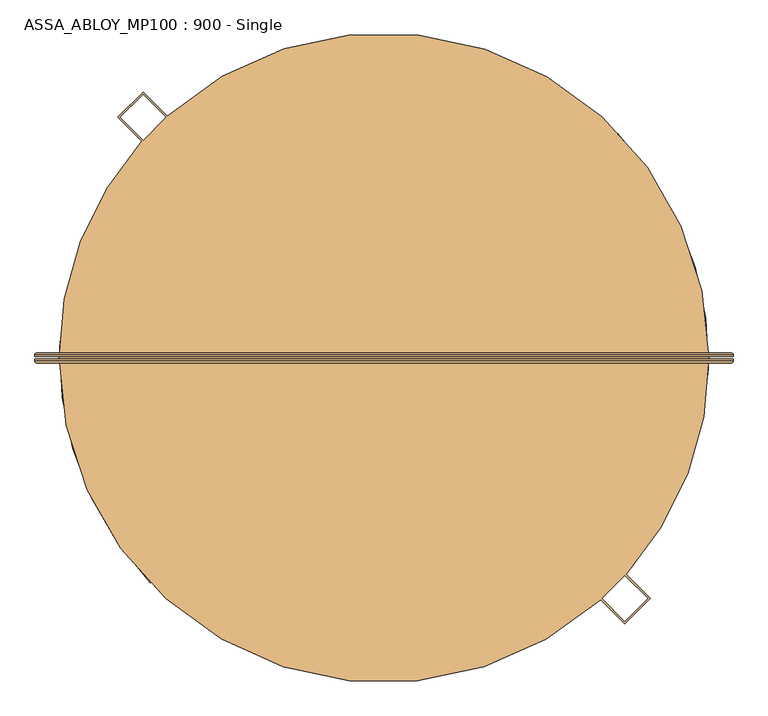
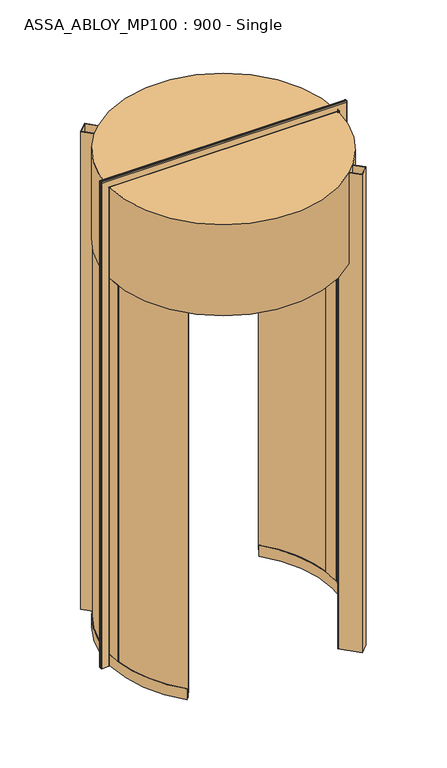
"""IFC4 building model written with IfcOpenShell, lengths in millimetres: door geometry, ASSA_ABLOY_MP100 : 900 - Single."""

from ifc_helpers import new_model, si_unit, point, frame, frame_2d, origin, place, context, project, spatial, polyline, circle_curve, ellipse_curve, trimmed, segment, composite_curve, outline, extrude, source, transform, mapped, element, save
from ifc_brep_helpers import plane_surface, cylinder_surface, revolved_surface, advanced_brep


def assa_abloy_mp100_900_single_c8860bc8(model_context):
    return source(origin(), model_context, "Body", "SolidModel", [
        advanced_brep(
        [(902.5980762, 11.0, 0.0), (906.5980762, 7.0, 0.0), (906.5980762, 3.0, 0.0), (904.5980762, 3.0, 0.0), (904.5980762, 7.0, 0.0), (902.5980762, 9.0, 0.0), (860.5980762, 9.0, 0.0), (858.5980762, 7.0, 0.0), (858.5980762, 3.0, 0.0), (856.5980762, 3.0, 0.0), (856.5980762, 7.0, 0.0), (860.5980762, 11.0, 0.0), (902.5980762, 11.0, 3260.9980762), (906.5980762, 7.0, 3264.9980762), (906.5980762, 3.0, 3264.9980762), (856.5980762, 7.0, 3214.9980762), (860.5980762, 11.0, 3218.9980762), (-610.5980762, 11.0, 3218.9980762), (-610.5980762, 11.0, 0.0), (-652.5980762, 11.0, 0.0), (-652.5980762, 11.0, 3260.9980762), (-656.5980762, 7.0, 3264.9980762), (-656.5980762, 3.0, 3264.9980762), (-606.5980762, 7.0, 3214.9980762), (-606.5980762, 7.0, 0.0), (-606.5980762, 3.0, 0.0), (-608.5980762, 3.0, 0.0), (-608.5980762, 7.0, 0.0), (-610.5980762, 9.0, 0.0), (-652.5980762, 9.0, 0.0), (-654.5980762, 7.0, 0.0), (-654.5980762, 3.0, 0.0), (-656.5980762, 3.0, 0.0), (-656.5980762, 7.0, 0.0), (-654.5980762, 3.0, 3262.9980762), (904.5980762, 3.0, 3262.9980762), (904.5980762, 7.0, 3262.9980762), (902.5980762, 9.0, 3260.9980762), (-652.5980762, 9.0, 3260.9980762), (-610.5980762, 9.0, 3218.9980762), (860.5980762, 9.0, 3218.9980762), (858.5980762, 7.0, 3216.9980762), (858.5980762, 3.0, 3216.9980762), (-608.5980762, 3.0, 3216.9980762), (-606.5980762, 3.0, 3214.9980762), (856.5980762, 3.0, 3214.9980762), (-654.5980762, 7.0, 3262.9980762), (-608.5980762, 7.0, 3216.9980762)],
        [
            (0, 1, circle_curve(frame((902.5980762, 7.0, 0.0), z_axis=(0.0, 0.0, -1.0), x_axis=(-1.0, 0.0, 0.0)), 4.0)),
            (1, 2),
            (2, 3),
            (3, 4),
            (4, 5, circle_curve(frame((902.5980762, 7.0, 0.0), z_axis=(0.0, 0.0, 1.0), x_axis=(-1.0, 0.0, 0.0)), 2.0)),
            (5, 6),
            (6, 7, circle_curve(frame((860.5980762, 7.0, 0.0), z_axis=(0.0, 0.0, 1.0), x_axis=(-1.0, 0.0, 0.0)), 2.0)),
            (7, 8),
            (8, 9),
            (9, 10),
            (10, 11, circle_curve(frame((860.5980762, 7.0, 0.0), z_axis=(0.0, 0.0, -1.0), x_axis=(-1.0, 0.0, 0.0)), 4.0)),
            (11, 0),
            (0, 12),
            (12, 13, ellipse_curve(frame((902.5980762, 7.0, 3260.9980762), z_axis=(0.7071067811865475, 0.0, -0.7071067811865475), x_axis=(-0.7071067811865474, 0.0, -0.7071067811865476)), 5.6568542, 4.0)),
            (13, 1),
            (13, 14),
            (14, 2),
            (10, 15),
            (15, 16, ellipse_curve(frame((860.5980762, 7.0, 3218.9980762), z_axis=(0.7071067811865475, 0.0, -0.7071067811865475), x_axis=(-0.7071067811865474, 0.0, -0.7071067811865476)), 5.6568542, 4.0)),
            (16, 11),
            (16, 17),
            (17, 18),
            (18, 19),
            (19, 20),
            (20, 12),
            (20, 21, ellipse_curve(frame((-652.5980762, 7.0, 3260.9980762), z_axis=(0.7071067811865475, 0.0, 0.7071067811865475), x_axis=(0.7071067811865476, 0.0, -0.7071067811865474)), 5.6568542, 4.0)),
            (21, 13),
            (21, 22),
            (22, 14),
            (15, 23),
            (23, 17, ellipse_curve(frame((-610.5980762, 7.0, 3218.9980762), z_axis=(0.7071067811865475, 0.0, 0.7071067811865475), x_axis=(0.7071067811865476, 0.0, -0.7071067811865474)), 5.6568542, 4.0)),
            (18, 24, circle_curve(frame((-610.5980762, 7.0, 0.0), z_axis=(0.0, 0.0, -1.0), x_axis=(1.0, 0.0, 0.0)), 4.0)),
            (24, 25),
            (25, 26),
            (26, 27),
            (27, 28, circle_curve(frame((-610.5980762, 7.0, 0.0), z_axis=(0.0, 0.0, 1.0), x_axis=(1.0, 0.0, 0.0)), 2.0)),
            (28, 29),
            (29, 30, circle_curve(frame((-652.5980762, 7.0, 0.0), z_axis=(0.0, 0.0, 1.0), x_axis=(1.0, 0.0, 0.0)), 2.0)),
            (30, 31),
            (31, 32),
            (32, 33),
            (33, 19, circle_curve(frame((-652.5980762, 7.0, 0.0), z_axis=(0.0, 0.0, -1.0), x_axis=(1.0, 0.0, 0.0)), 4.0)),
            (33, 21),
            (32, 22),
            (23, 24),
            (31, 34),
            (34, 35),
            (35, 3),
            (35, 36),
            (36, 4),
            (36, 37, ellipse_curve(frame((902.5980762, 7.0, 3260.9980762), z_axis=(-0.7071067811865475, 0.0, 0.7071067811865475), x_axis=(0.7071067811865474, 0.0, 0.7071067811865476)), 2.8284271, 2.0)),
            (37, 5),
            (37, 38),
            (38, 29),
            (28, 39),
            (39, 40),
            (40, 6),
            (40, 41, ellipse_curve(frame((860.5980762, 7.0, 3218.9980762), z_axis=(-0.7071067811865475, 0.0, 0.7071067811865475), x_axis=(0.7071067811865474, 0.0, 0.7071067811865476)), 2.8284271, 2.0)),
            (41, 7),
            (41, 42),
            (42, 8),
            (42, 43),
            (43, 26),
            (25, 44),
            (44, 45),
            (45, 9),
            (45, 15),
            (34, 46),
            (46, 36),
            (46, 38, ellipse_curve(frame((-652.5980762, 7.0, 3260.9980762), z_axis=(-0.7071067811865475, 0.0, -0.7071067811865475), x_axis=(-0.7071067811865476, 0.0, 0.7071067811865474)), 2.8284271, 2.0)),
            (39, 47, ellipse_curve(frame((-610.5980762, 7.0, 3218.9980762), z_axis=(-0.7071067811865475, 0.0, -0.7071067811865475), x_axis=(-0.7071067811865476, 0.0, 0.7071067811865474)), 2.8284271, 2.0)),
            (47, 41),
            (47, 43),
            (44, 23),
            (30, 46),
            (27, 47),
        ],
        [
            plane_surface(frame((856.6, 0.0, 0.0), z_axis=(0.0, 0.0, -1.0), x_axis=(0.0, -1.0, 0.0))),
            cylinder_surface(frame((902.5980762, 7.0, 0.0), z_axis=(0.0, 0.0, -1.0), x_axis=(-1.0, 0.0, 0.0)), 4.0),
            plane_surface(frame((906.5980762, 7.0, 0.0), z_axis=(1.0, 0.0, 0.0), x_axis=(0.0, 0.0, 1.0))),
            cylinder_surface(frame((860.5980762, 7.0, 0.0), z_axis=(0.0, 0.0, -1.0), x_axis=(-1.0, 0.0, 0.0)), 4.0),
            plane_surface(frame((860.5980762, 11.0, 0.0), z_axis=(0.0, 1.0, 0.0), x_axis=(0.0, 0.0, 1.0))),
            cylinder_surface(frame((856.6, 7.0, 3260.9980762), z_axis=(1.0, 0.0, 0.0), x_axis=(0.0, 0.0, -1.0)), 4.0),
            plane_surface(frame((906.5980762, 7.0, 3264.9980762), z_axis=(0.0, 0.0, 1.0), x_axis=(-1.0, 0.0, 0.0))),
            cylinder_surface(frame((856.6, 7.0, 3218.9980762), z_axis=(1.0, 0.0, 0.0), x_axis=(0.0, 0.0, -1.0)), 4.0),
            plane_surface(frame((-606.6, 0.0, 0.0), z_axis=(0.0, 0.0, -1.0), x_axis=(0.0, -1.0, 0.0))),
            cylinder_surface(frame((-652.5980762, 7.0, 3215.0), z_axis=(0.0, 0.0, 1.0), x_axis=(1.0, 0.0, 0.0)), 4.0),
            plane_surface(frame((-656.5980762, 7.0, 3264.9980762), z_axis=(-1.0, 0.0, 0.0), x_axis=(0.0, 0.0, -1.0))),
            cylinder_surface(frame((-610.5980762, 7.0, 3215.0), z_axis=(0.0, 0.0, 1.0), x_axis=(1.0, 0.0, 0.0)), 4.0),
            plane_surface(frame((906.5980762, 3.0, 0.0), z_axis=(0.0, -1.0, 0.0), x_axis=(0.0, 0.0, 1.0))),
            plane_surface(frame((904.5980762, 3.0, 0.0), z_axis=(-1.0, 0.0, 0.0), x_axis=(0.0, 0.0, 1.0))),
            revolved_surface(polyline([(900.5980762, 7.0, 3262.9980762), (900.5980762, 7.0, 0.0)]), (902.5980762, 7.0, 0.0), (0.0, 0.0, 1.0)),
            plane_surface(frame((902.5980762, 9.0, 0.0), z_axis=(0.0, -1.0, 0.0), x_axis=(0.0, 0.0, 1.0))),
            revolved_surface(polyline([(858.5980762, 7.0, 3220.998076182502), (858.5980762, 7.0, 0.0)]), (860.5980762, 7.0, 0.0), (0.0, 0.0, 1.0)),
            plane_surface(frame((858.5980762, 7.0, 0.0), z_axis=(1.0, 0.0, 0.0), x_axis=(0.0, 0.0, 1.0))),
            plane_surface(frame((858.5980762, 3.0, 0.0), z_axis=(0.0, -1.0, 0.0), x_axis=(0.0, 0.0, 1.0))),
            plane_surface(frame((856.5980762, 3.0, 0.0), z_axis=(-1.0, 0.0, 0.0), x_axis=(0.0, 0.0, 1.0))),
            plane_surface(frame((904.5980762, 3.0, 3262.9980762), z_axis=(0.0, 0.0, -1.0), x_axis=(-1.0, 0.0, 0.0))),
            revolved_surface(polyline([(-654.5980762, 7.0, 3258.9980762), (904.5980762, 7.0, 3258.9980762)]), (856.6, 7.0, 3260.9980762), (-1.0, 0.0, 0.0)),
            revolved_surface(polyline([(-612.5980761825018, 7.0, 3216.9980762), (862.5980761825018, 7.0, 3216.9980762)]), (856.6, 7.0, 3218.9980762), (-1.0, 0.0, 0.0)),
            plane_surface(frame((858.5980762, 7.0, 3216.9980762), z_axis=(0.0, 0.0, 1.0), x_axis=(-1.0, 0.0, 0.0))),
            plane_surface(frame((856.5980762, 3.0, 3214.9980762), z_axis=(0.0, 0.0, -1.0), x_axis=(-1.0, 0.0, 0.0))),
            plane_surface(frame((-654.5980762, 3.0, 3262.9980762), z_axis=(1.0, 0.0, 0.0), x_axis=(0.0, 0.0, -1.0))),
            revolved_surface(polyline([(-650.5980762, 7.0, 0.0), (-650.5980762, 7.0, 3262.9980762)]), (-652.5980762, 7.0, 3215.0), (0.0, 0.0, -1.0)),
            revolved_surface(polyline([(-608.5980762, 7.0, 0.0), (-608.5980762, 7.0, 3220.998076182502)]), (-610.5980762, 7.0, 3215.0), (0.0, 0.0, -1.0)),
            plane_surface(frame((-608.5980762, 7.0, 3216.9980762), z_axis=(-1.0, 0.0, 0.0), x_axis=(0.0, 0.0, -1.0))),
            plane_surface(frame((-606.5980762, 3.0, 3214.9980762), z_axis=(1.0, 0.0, 0.0), x_axis=(0.0, 0.0, -1.0))),
        ],
        [
            (0, [[1, 2, 3, 4, 5, 6, 7, 8, 9, 10, 11, 12]]),
            (1, [[-1, 13, 14, 15]]),
            (2, [[-2, -15, 16, 17]]),
            (3, [[-11, 18, 19, 20]]),
            (4, [[-12, -20, 21, 22, 23, 24, 25, -13]]),
            (5, [[-14, -25, 26, 27]]),
            (6, [[-16, -27, 28, 29]]),
            (7, [[-19, 30, 31, -21]]),
            (8, [[-23, 32, 33, 34, 35, 36, 37, 38, 39, 40, 41, 42]]),
            (9, [[-26, -24, -42, 43]]),
            (10, [[-28, -43, -41, 44]]),
            (11, [[-31, 45, -32, -22]]),
            (12, [[-3, -17, -29, -44, -40, 46, 47, 48]]),
            (13, [[-4, -48, 49, 50]]),
            (14, [[-5, -50, 51, 52]]),
            (15, [[-6, -52, 53, 54, -37, 55, 56, 57]]),
            (16, [[-7, -57, 58, 59]]),
            (17, [[-8, -59, 60, 61]]),
            (18, [[-9, -61, 62, 63, -34, 64, 65, 66]]),
            (19, [[-10, -66, 67, -18]]),
            (20, [[-49, -47, 68, 69]]),
            (21, [[-51, -69, 70, -53]]),
            (22, [[-58, -56, 71, 72]]),
            (23, [[-60, -72, 73, -62]]),
            (24, [[-67, -65, 74, -30]]),
            (25, [[-68, -46, -39, 75]]),
            (26, [[-70, -75, -38, -54]]),
            (27, [[-71, -55, -36, 76]]),
            (28, [[-73, -76, -35, -63]]),
            (29, [[-74, -64, -33, -45]]),
        ],
    ),
        advanced_brep(
        [(856.5980762, -3.0, 0.0), (858.5980762, -3.0, 0.0), (858.5980762, -7.0, 0.0), (860.5980762, -9.0, 0.0), (902.5980762, -9.0, 0.0), (904.5980762, -7.0, 0.0), (904.5980762, -3.0, 0.0), (906.5980762, -3.0, 0.0), (906.5980762, -7.0, 0.0), (902.5980762, -11.0, 0.0), (860.5980762, -11.0, 0.0), (856.5980762, -7.0, 0.0), (906.5980762, -7.0, 3264.9980762), (902.5980762, -11.0, 3260.9980762), (-652.5980762, -11.0, 3260.9980762), (-652.5980762, -11.0, 0.0), (-610.5980762, -11.0, 0.0), (-610.5980762, -11.0, 3218.9980762), (860.5980762, -11.0, 3218.9980762), (856.5980762, -7.0, 3214.9980762), (856.5980762, -3.0, 3214.9980762), (-656.5980762, -7.0, 3264.9980762), (-606.5980762, -7.0, 3214.9980762), (-606.5980762, -3.0, 3214.9980762), (-606.5980762, -3.0, 0.0), (-606.5980762, -7.0, 0.0), (-656.5980762, -7.0, 0.0), (-656.5980762, -3.0, 0.0), (-654.5980762, -3.0, 0.0), (-654.5980762, -7.0, 0.0), (-652.5980762, -9.0, 0.0), (-610.5980762, -9.0, 0.0), (-608.5980762, -7.0, 0.0), (-608.5980762, -3.0, 0.0), (-608.5980762, -3.0, 3216.9980762), (858.5980762, -3.0, 3216.9980762), (858.5980762, -7.0, 3216.9980762), (860.5980762, -9.0, 3218.9980762), (-610.5980762, -9.0, 3218.9980762), (-652.5980762, -9.0, 3260.9980762), (902.5980762, -9.0, 3260.9980762), (904.5980762, -7.0, 3262.9980762), (904.5980762, -3.0, 3262.9980762), (-654.5980762, -3.0, 3262.9980762), (-656.5980762, -3.0, 3264.9980762), (906.5980762, -3.0, 3264.9980762), (-608.5980762, -7.0, 3216.9980762), (-654.5980762, -7.0, 3262.9980762)],
        [
            (0, 1),
            (1, 2),
            (2, 3, circle_curve(frame((860.5980762, -7.0, 0.0), z_axis=(0.0, 0.0, 1.0), x_axis=(-1.0, 0.0, 0.0)), 2.0)),
            (3, 4),
            (4, 5, circle_curve(frame((902.5980762, -7.0, 0.0), z_axis=(0.0, 0.0, 1.0), x_axis=(-1.0, 0.0, 0.0)), 2.0)),
            (5, 6),
            (6, 7),
            (7, 8),
            (8, 9, circle_curve(frame((902.5980762, -7.0, 0.0), z_axis=(0.0, 0.0, -1.0), x_axis=(-1.0, 0.0, 0.0)), 4.0)),
            (9, 10),
            (10, 11, circle_curve(frame((860.5980762, -7.0, 0.0), z_axis=(0.0, 0.0, -1.0), x_axis=(-1.0, 0.0, 0.0)), 4.0)),
            (11, 0),
            (8, 12),
            (12, 13, ellipse_curve(frame((902.5980762, -7.0, 3260.9980762), z_axis=(0.7071067811865475, 0.0, -0.7071067811865475), x_axis=(-0.7071067811865474, 0.0, -0.7071067811865476)), 5.6568542, 4.0)),
            (13, 9),
            (13, 14),
            (14, 15),
            (15, 16),
            (16, 17),
            (17, 18),
            (18, 10),
            (18, 19, ellipse_curve(frame((860.5980762, -7.0, 3218.9980762), z_axis=(0.7071067811865475, 0.0, -0.7071067811865475), x_axis=(-0.7071067811865474, 0.0, -0.7071067811865476)), 5.6568542, 4.0)),
            (19, 11),
            (19, 20),
            (20, 0),
            (12, 21),
            (21, 14, ellipse_curve(frame((-652.5980762, -7.0, 3260.9980762), z_axis=(0.7071067811865475, 0.0, 0.7071067811865475), x_axis=(0.7071067811865476, 0.0, -0.7071067811865474)), 5.6568542, 4.0)),
            (17, 22, ellipse_curve(frame((-610.5980762, -7.0, 3218.9980762), z_axis=(0.7071067811865475, 0.0, 0.7071067811865475), x_axis=(0.7071067811865476, 0.0, -0.7071067811865474)), 5.6568542, 4.0)),
            (22, 19),
            (22, 23),
            (23, 20),
            (24, 25),
            (25, 16, circle_curve(frame((-610.5980762, -7.0, 0.0), z_axis=(0.0, 0.0, -1.0), x_axis=(1.0, 0.0, 0.0)), 4.0)),
            (15, 26, circle_curve(frame((-652.5980762, -7.0, 0.0), z_axis=(0.0, 0.0, -1.0), x_axis=(1.0, 0.0, 0.0)), 4.0)),
            (26, 27),
            (27, 28),
            (28, 29),
            (29, 30, circle_curve(frame((-652.5980762, -7.0, 0.0), z_axis=(0.0, 0.0, 1.0), x_axis=(1.0, 0.0, 0.0)), 2.0)),
            (30, 31),
            (31, 32, circle_curve(frame((-610.5980762, -7.0, 0.0), z_axis=(0.0, 0.0, 1.0), x_axis=(1.0, 0.0, 0.0)), 2.0)),
            (32, 33),
            (33, 24),
            (21, 26),
            (25, 22),
            (24, 23),
            (33, 34),
            (34, 35),
            (35, 1),
            (35, 36),
            (36, 2),
            (36, 37, ellipse_curve(frame((860.5980762, -7.0, 3218.9980762), z_axis=(-0.7071067811865475, 0.0, 0.7071067811865475), x_axis=(0.7071067811865474, 0.0, 0.7071067811865476)), 2.8284271, 2.0)),
            (37, 3),
            (37, 38),
            (38, 31),
            (30, 39),
            (39, 40),
            (40, 4),
            (40, 41, ellipse_curve(frame((902.5980762, -7.0, 3260.9980762), z_axis=(-0.7071067811865475, 0.0, 0.7071067811865475), x_axis=(0.7071067811865474, 0.0, 0.7071067811865476)), 2.8284271, 2.0)),
            (41, 5),
            (41, 42),
            (42, 6),
            (42, 43),
            (43, 28),
            (27, 44),
            (44, 45),
            (45, 7),
            (45, 12),
            (34, 46),
            (46, 36),
            (46, 38, ellipse_curve(frame((-610.5980762, -7.0, 3218.9980762), z_axis=(-0.7071067811865475, 0.0, -0.7071067811865475), x_axis=(-0.7071067811865476, 0.0, 0.7071067811865474)), 2.8284271, 2.0)),
            (39, 47, ellipse_curve(frame((-652.5980762, -7.0, 3260.9980762), z_axis=(-0.7071067811865475, 0.0, -0.7071067811865475), x_axis=(-0.7071067811865476, 0.0, 0.7071067811865474)), 2.8284271, 2.0)),
            (47, 41),
            (47, 43),
            (44, 21),
            (32, 46),
            (29, 47),
        ],
        [
            plane_surface(frame((856.6, 0.0, 0.0), z_axis=(0.0, 0.0, -1.0), x_axis=(0.0, -1.0, 0.0))),
            cylinder_surface(frame((902.5980762, -7.0, 0.0), z_axis=(0.0, 0.0, -1.0), x_axis=(-1.0, 0.0, 0.0)), 4.0),
            plane_surface(frame((902.5980762, -11.0, 0.0), z_axis=(0.0, -1.0, 0.0), x_axis=(0.0, 0.0, 1.0))),
            cylinder_surface(frame((860.5980762, -7.0, 0.0), z_axis=(0.0, 0.0, -1.0), x_axis=(-1.0, 0.0, 0.0)), 4.0),
            plane_surface(frame((856.5980762, -7.0, 0.0), z_axis=(-1.0, 0.0, 0.0), x_axis=(0.0, 0.0, 1.0))),
            cylinder_surface(frame((856.6, -7.0, 3260.9980762), z_axis=(1.0, 0.0, 0.0), x_axis=(0.0, 0.0, -1.0)), 4.0),
            cylinder_surface(frame((856.6, -7.0, 3218.9980762), z_axis=(1.0, 0.0, 0.0), x_axis=(0.0, 0.0, -1.0)), 4.0),
            plane_surface(frame((856.5980762, -7.0, 3214.9980762), z_axis=(0.0, 0.0, -1.0), x_axis=(-1.0, 0.0, 0.0))),
            plane_surface(frame((-606.6, 0.0, 0.0), z_axis=(0.0, 0.0, -1.0), x_axis=(0.0, -1.0, 0.0))),
            cylinder_surface(frame((-652.5980762, -7.0, 3215.0), z_axis=(0.0, 0.0, 1.0), x_axis=(1.0, 0.0, 0.0)), 4.0),
            cylinder_surface(frame((-610.5980762, -7.0, 3215.0), z_axis=(0.0, 0.0, 1.0), x_axis=(1.0, 0.0, 0.0)), 4.0),
            plane_surface(frame((-606.5980762, -7.0, 3214.9980762), z_axis=(1.0, 0.0, 0.0), x_axis=(0.0, 0.0, -1.0))),
            plane_surface(frame((856.5980762, -3.0, 0.0), z_axis=(0.0, 1.0, 0.0), x_axis=(0.0, 0.0, 1.0))),
            plane_surface(frame((858.5980762, -3.0, 0.0), z_axis=(1.0, 0.0, 0.0), x_axis=(0.0, 0.0, 1.0))),
            revolved_surface(polyline([(858.5980762, -7.0, 3220.998076182502), (858.5980762, -7.0, 0.0)]), (860.5980762, -7.0, 0.0), (0.0, 0.0, 1.0)),
            plane_surface(frame((860.5980762, -9.0, 0.0), z_axis=(0.0, 1.0, 0.0), x_axis=(0.0, 0.0, 1.0))),
            revolved_surface(polyline([(900.5980762, -7.0, 3262.9980762), (900.5980762, -7.0, 0.0)]), (902.5980762, -7.0, 0.0), (0.0, 0.0, 1.0)),
            plane_surface(frame((904.5980762, -7.0, 0.0), z_axis=(-1.0, 0.0, 0.0), x_axis=(0.0, 0.0, 1.0))),
            plane_surface(frame((904.5980762, -3.0, 0.0), z_axis=(0.0, 1.0, 0.0), x_axis=(0.0, 0.0, 1.0))),
            plane_surface(frame((906.5980762, -3.0, 0.0), z_axis=(1.0, 0.0, 0.0), x_axis=(0.0, 0.0, 1.0))),
            plane_surface(frame((858.5980762, -3.0, 3216.9980762), z_axis=(0.0, 0.0, 1.0), x_axis=(-1.0, 0.0, 0.0))),
            revolved_surface(polyline([(-612.5980761825018, -7.0, 3216.9980762), (862.5980761825018, -7.0, 3216.9980762)]), (856.6, -7.0, 3218.9980762), (-1.0, 0.0, 0.0)),
            revolved_surface(polyline([(-654.5980762, -7.0, 3258.9980762), (904.5980762, -7.0, 3258.9980762)]), (856.6, -7.0, 3260.9980762), (-1.0, 0.0, 0.0)),
            plane_surface(frame((904.5980762, -7.0, 3262.9980762), z_axis=(0.0, 0.0, -1.0), x_axis=(-1.0, 0.0, 0.0))),
            plane_surface(frame((906.5980762, -3.0, 3264.9980762), z_axis=(0.0, 0.0, 1.0), x_axis=(-1.0, 0.0, 0.0))),
            plane_surface(frame((-608.5980762, -3.0, 3216.9980762), z_axis=(-1.0, 0.0, 0.0), x_axis=(0.0, 0.0, -1.0))),
            revolved_surface(polyline([(-608.5980762, -7.0, 0.0), (-608.5980762, -7.0, 3220.998076182502)]), (-610.5980762, -7.0, 3215.0), (0.0, 0.0, -1.0)),
            revolved_surface(polyline([(-650.5980762, -7.0, 0.0), (-650.5980762, -7.0, 3262.9980762)]), (-652.5980762, -7.0, 3215.0), (0.0, 0.0, -1.0)),
            plane_surface(frame((-654.5980762, -7.0, 3262.9980762), z_axis=(1.0, 0.0, 0.0), x_axis=(0.0, 0.0, -1.0))),
            plane_surface(frame((-656.5980762, -3.0, 3264.9980762), z_axis=(-1.0, 0.0, 0.0), x_axis=(0.0, 0.0, -1.0))),
        ],
        [
            (0, [[1, 2, 3, 4, 5, 6, 7, 8, 9, 10, 11, 12]]),
            (1, [[-9, 13, 14, 15]]),
            (2, [[-10, -15, 16, 17, 18, 19, 20, 21]]),
            (3, [[-11, -21, 22, 23]]),
            (4, [[-12, -23, 24, 25]]),
            (5, [[-14, 26, 27, -16]]),
            (6, [[-22, -20, 28, 29]]),
            (7, [[-24, -29, 30, 31]]),
            (8, [[32, 33, -18, 34, 35, 36, 37, 38, 39, 40, 41, 42]]),
            (9, [[-27, 43, -34, -17]]),
            (10, [[-28, -19, -33, 44]]),
            (11, [[-30, -44, -32, 45]]),
            (12, [[-1, -25, -31, -45, -42, 46, 47, 48]]),
            (13, [[-2, -48, 49, 50]]),
            (14, [[-3, -50, 51, 52]]),
            (15, [[-4, -52, 53, 54, -39, 55, 56, 57]]),
            (16, [[-5, -57, 58, 59]]),
            (17, [[-6, -59, 60, 61]]),
            (18, [[-7, -61, 62, 63, -36, 64, 65, 66]]),
            (19, [[-8, -66, 67, -13]]),
            (20, [[-49, -47, 68, 69]]),
            (21, [[-51, -69, 70, -53]]),
            (22, [[-58, -56, 71, 72]]),
            (23, [[-60, -72, 73, -62]]),
            (24, [[-67, -65, 74, -26]]),
            (25, [[-68, -46, -41, 75]]),
            (26, [[-70, -75, -40, -54]]),
            (27, [[-71, -55, -38, 76]]),
            (28, [[-73, -76, -37, -63]]),
            (29, [[-74, -64, -35, -43]]),
        ],
    ),
        advanced_brep(
        [(-383.8775352, -489.438716, 73.0), (-386.0397512, -491.5183366, 73.0), (-386.0397512, -491.5183366, 39.0), (-396.1300925, -501.2232329, 39.0), (-396.1300925, -501.2232329, 73.0), (-398.2923085, -503.3028535, 73.0), (-398.2923085, -503.3028535, 0.0), (-396.1300925, -501.2232329, 0.0), (-396.1300925, -501.2232329, 24.0), (-386.0397512, -491.5183366, 24.0), (-386.0397512, -491.5183366, 0.0), (-383.8775352, -489.438716, 0.0), (-413.0965266, 457.1200395, 73.0), (-413.0965266, 457.1200395, 0.0), (-415.3828938, 459.0623384, 0.0), (-415.3828938, 459.0623384, 24.0), (-426.0526075, 468.1263998, 24.0), (-426.0526075, 468.1263998, 0.0), (-428.3389748, 470.0686987, 0.0), (-428.3389748, 470.0686987, 73.0), (-426.0526075, 468.1263998, 73.0), (-426.0526075, 468.1263998, 39.0), (-415.3828938, 459.0623384, 39.0), (-415.3828938, 459.0623384, 73.0), (-575.7945833, -85.9857809, 73.0), (-578.7722531, -86.3511337, 73.0), (-583.6507334, 23.7916078, 73.0), (-580.6524227, 23.6909452, 73.0), (-597.642851, 24.2613344, 73.0), (-592.6680493, -88.0560814, 73.0), (-595.6457191, -88.4214341, 73.0), (-600.6411617, 24.3619969, 73.0), (-600.6411617, 24.3619969, 2600.0), (-595.6457191, -88.4214341, 2600.0), (-592.6680493, -88.0560814, 2600.0), (-597.642851, 24.2613344, 2600.0), (-580.6524227, 23.6909452, 2600.0), (-583.6507334, 23.7916078, 2600.0), (-578.7722531, -86.3511337, 2600.0), (-575.7945833, -85.9857809, 2600.0)],
        [
            (0, 1),
            (1, 2),
            (2, 3),
            (3, 4),
            (4, 5),
            (5, 6),
            (6, 7),
            (7, 8),
            (8, 9),
            (9, 10),
            (10, 11),
            (11, 0),
            (12, 13),
            (13, 14),
            (14, 15),
            (15, 16),
            (16, 17),
            (17, 18),
            (18, 19),
            (19, 20),
            (20, 21),
            (21, 22),
            (22, 23),
            (23, 12),
            (0, 24, circle_curve(frame((125.0, 0.0, 73.0), z_axis=(0.0, 0.0, -1.0), x_axis=(-0.720738666047111, -0.6932068776812814, 0.0)), 706.05)),
            (24, 25),
            (25, 1, circle_curve(frame((125.0, 0.0, 73.0), z_axis=(0.0, 0.0, 1.0), x_axis=(-0.720738666047111, -0.6932068776812814, 0.0)), 709.05)),
            (23, 26, circle_curve(frame((125.0, 0.0, 73.0), z_axis=(0.0, 0.0, 1.0), x_axis=(-0.720738666047111, -0.6932068776812814, 0.0)), 709.05)),
            (26, 27),
            (27, 12, circle_curve(frame((125.0, 0.0, 73.0), z_axis=(0.0, 0.0, -1.0), x_axis=(-0.720738666047111, -0.6932068776812814, 0.0)), 706.05)),
            (25, 26, circle_curve(frame((125.0, 0.0, 73.0), z_axis=(0.0, 0.0, -1.0), x_axis=(-0.720738666047111, -0.6932068776812814, 0.0)), 709.05)),
            (22, 2, circle_curve(frame((125.0, 0.0, 39.0), z_axis=(0.0, 0.0, 1.0), x_axis=(-0.720738666047111, -0.6932068776812814, 0.0)), 709.05)),
            (21, 3, circle_curve(frame((125.0, 0.0, 39.0), z_axis=(0.0, 0.0, 1.0), x_axis=(-0.720738666047111, -0.6932068776812814, 0.0)), 723.05)),
            (20, 28, circle_curve(frame((125.0, 0.0, 73.0), z_axis=(0.0, 0.0, 1.0), x_axis=(-0.720738666047111, -0.6932068776812814, 0.0)), 723.05)),
            (28, 29, circle_curve(frame((125.0, 0.0, 73.0), z_axis=(0.0, 0.0, 1.0), x_axis=(-0.720738666047111, -0.6932068776812814, 0.0)), 723.05)),
            (29, 4, circle_curve(frame((125.0, 0.0, 73.0), z_axis=(0.0, 0.0, 1.0), x_axis=(-0.720738666047111, -0.6932068776812814, 0.0)), 723.05)),
            (29, 30),
            (30, 5, circle_curve(frame((125.0, 0.0, 73.0), z_axis=(0.0, 0.0, 1.0), x_axis=(-0.720738666047111, -0.6932068776812814, 0.0)), 726.05)),
            (19, 31, circle_curve(frame((125.0, 0.0, 73.0), z_axis=(0.0, 0.0, 1.0), x_axis=(-0.720738666047111, -0.6932068776812814, 0.0)), 726.05)),
            (31, 28),
            (30, 31, circle_curve(frame((125.0, 0.0, 73.0), z_axis=(0.0, 0.0, -1.0), x_axis=(-0.720738666047111, -0.6932068776812814, 0.0)), 726.05)),
            (18, 6, circle_curve(frame((125.0, 0.0, 0.0), z_axis=(0.0, 0.0, 1.0), x_axis=(-0.720738666047111, -0.6932068776812814, 0.0)), 726.05)),
            (17, 7, circle_curve(frame((125.0, 0.0, 0.0), z_axis=(0.0, 0.0, 1.0), x_axis=(-0.720738666047111, -0.6932068776812814, 0.0)), 723.05)),
            (16, 8, circle_curve(frame((125.0, 0.0, 24.0), z_axis=(0.0, 0.0, 1.0), x_axis=(-0.720738666047111, -0.6932068776812814, 0.0)), 723.05)),
            (15, 9, circle_curve(frame((125.0, 0.0, 24.0), z_axis=(0.0, 0.0, 1.0), x_axis=(-0.720738666047111, -0.6932068776812814, 0.0)), 709.05)),
            (14, 10, circle_curve(frame((125.0, 0.0, 0.0), z_axis=(0.0, 0.0, 1.0), x_axis=(-0.720738666047111, -0.6932068776812814, 0.0)), 709.05)),
            (13, 11, circle_curve(frame((125.0, 0.0, 0.0), z_axis=(0.0, 0.0, 1.0), x_axis=(-0.720738666047111, -0.6932068776812814, 0.0)), 706.05)),
            (27, 24, circle_curve(frame((125.0, 0.0, 73.0), z_axis=(0.0, 0.0, 1.0), x_axis=(-0.720738666047111, -0.6932068776812814, 0.0)), 706.05)),
            (32, 33, circle_curve(frame((125.0, 0.0, 2600.0), z_axis=(0.0, 0.0, 1.0), x_axis=(0.7071067811865459, -0.7071067811865491, 0.0)), 726.05)),
            (33, 34),
            (34, 35, circle_curve(frame((125.0, 0.0, 2600.0), z_axis=(0.0, 0.0, -1.0), x_axis=(0.7071067811865459, -0.7071067811865491, 0.0)), 723.05)),
            (35, 32),
            (32, 31),
            (30, 33),
            (29, 34),
            (28, 35),
            (36, 37),
            (37, 38, circle_curve(frame((125.0, 0.0, 2600.0), z_axis=(0.0, 0.0, 1.0), x_axis=(0.7071067811865459, -0.7071067811865492, 0.0)), 709.05)),
            (38, 39),
            (39, 36, circle_curve(frame((125.0, 0.0, 2600.0), z_axis=(0.0, 0.0, -1.0), x_axis=(0.7071067811865459, -0.7071067811865492, 0.0)), 706.05)),
            (36, 27),
            (26, 37),
            (25, 38),
            (24, 39),
        ],
        [
            plane_surface(frame((-391.0849218, -496.3707848, 0.0), z_axis=(0.6932068776812813, -0.7207386660471111, 0.0), x_axis=(0.0, 0.0, 1.0))),
            plane_surface(frame((-420.7177507, 463.5943691, 0.0), z_axis=(0.6474329573669898, 0.7621224086162496, 0.0), x_axis=(0.0, 0.0, 1.0))),
            plane_surface(frame((125.0, 0.0, 73.0), z_axis=(0.0, 0.0, 1.0), x_axis=(-0.720738666047111, -0.6932068776812814, 0.0))),
            cylinder_surface(frame((125.0, 0.0, 0.0), z_axis=(0.0, 0.0, -1.0), x_axis=(-0.720738666047111, -0.6932068776812814, 0.0)), 709.05),
            plane_surface(frame((125.0, 0.0, 39.0), z_axis=(0.0, 0.0, 1.0), x_axis=(-0.720738666047111, -0.6932068776812814, 0.0))),
            revolved_surface(polyline([(-396.13009248536355, -501.2232329074505, 39.0), (-396.13009248536355, -501.2232329074505, 73.0)]), (125.0, 0.0, 0.0), (0.0, 0.0, -1.0)),
            cylinder_surface(frame((125.0, 0.0, 0.0), z_axis=(0.0, 0.0, -1.0), x_axis=(-0.720738666047111, -0.6932068776812814, 0.0)), 726.05),
            plane_surface(frame((125.0, 0.0, 0.0), z_axis=(0.0, 0.0, -1.0), x_axis=(-0.720738666047111, -0.6932068776812814, 0.0))),
            revolved_surface(polyline([(-396.13009248536355, -501.2232329074505, 0.0), (-396.13009248536355, -501.2232329074505, 24.0)]), (125.0, 0.0, 0.0), (0.0, 0.0, -1.0)),
            plane_surface(frame((125.0, 0.0, 24.0), z_axis=(0.0, 0.0, -1.0), x_axis=(-0.720738666047111, -0.6932068776812814, 0.0))),
            revolved_surface(polyline([(-383.8775351625627, -489.4387159868687, 0.0), (-383.8775351625627, -489.4387159868687, 73.0)]), (125.0, 0.0, 0.0), (0.0, 0.0, -1.0)),
            plane_surface(frame((638.3948785, -513.3948785, 2600.0), z_axis=(0.0, 0.0, 1.0), x_axis=(0.7071067811865491, 0.7071067811865459, 0.0))),
            cylinder_surface(frame((125.0, 0.0, 73.0), z_axis=(0.0, 0.0, 1.0), x_axis=(0.7071067811865459, -0.7071067811865491, 0.0)), 726.05),
            plane_surface(frame((-595.6457191, -88.4214341, 2600.0), z_axis=(0.12178424013967475, -0.9925565973049608, 0.0), x_axis=(0.0, 0.0, -1.0))),
            revolved_surface(polyline([(636.273558136932, -511.2735581369343, 73.0), (636.273558136932, -511.2735581369343, 2600.0)]), (125.0, 0.0, 73.0), (0.0, 0.0, -1.0)),
            plane_surface(frame((-597.642851, 24.2613344, 2600.0), z_axis=(0.033554177264586336, 0.9994369000532735, 0.0), x_axis=(0.0, 0.0, -1.0))),
            plane_surface(frame((-580.6524227, 23.6909452, 2600.0), z_axis=(0.0, 0.0, 1.0), x_axis=(-0.9994368991763471, 0.033554203384497626, 0.0))),
            plane_surface(frame((-580.6524227, 23.6909452, 2600.0), z_axis=(0.033554203384497626, 0.9994368991763471, 0.0), x_axis=(0.0, 0.0, -1.0))),
            cylinder_surface(frame((125.0, 0.0, 73.0), z_axis=(0.0, 0.0, 1.0000000000000002), x_axis=(0.7071067811865459, -0.7071067811865492, 0.0)), 709.05),
            plane_surface(frame((-578.7722531, -86.3511337, 2600.0), z_axis=(0.12178426601375615, -0.9925565941302746, 0.0), x_axis=(0.0, 0.0, -1.0))),
            revolved_surface(polyline([(624.2527428567607, -499.25274285676306, 73.0), (624.2527428567607, -499.25274285676306, 2600.000000000001)]), (125.0, 0.0, 73.0), (0.0, 0.0, -1.0000000000000002)),
        ],
        [
            (0, [[1, 2, 3, 4, 5, 6, 7, 8, 9, 10, 11, 12]]),
            (1, [[13, 14, 15, 16, 17, 18, 19, 20, 21, 22, 23, 24]]),
            (2, [[-1, 25, 26, 27]]),
            (2, [[-24, 28, 29, 30]]),
            (3, [[-2, -27, 31, -28, -23, 32]]),
            (4, [[-3, -32, -22, 33]]),
            (5, [[-4, -33, -21, 34, 35, 36]]),
            (2, [[-5, -36, 37, 38]]),
            (2, [[-20, 39, 40, -34]]),
            (6, [[-6, -38, 41, -39, -19, 42]]),
            (7, [[-7, -42, -18, 43]]),
            (8, [[-8, -43, -17, 44]]),
            (9, [[-9, -44, -16, 45]]),
            (3, [[-10, -45, -15, 46]]),
            (7, [[-11, -46, -14, 47]]),
            (10, [[-12, -47, -13, -30, 48, -25]]),
            (11, [[49, 50, 51, 52]]),
            (12, [[-49, 53, -41, 54]]),
            (13, [[-50, -54, -37, 55]]),
            (14, [[-51, -55, -35, 56]]),
            (15, [[-52, -56, -40, -53]]),
            (16, [[57, 58, 59, 60]]),
            (17, [[-57, 61, -29, 62]]),
            (18, [[-58, -62, -31, 63]]),
            (19, [[-59, -63, -26, 64]]),
            (20, [[-60, -64, -48, -61]]),
        ],
    ),
        advanced_brep(
        [(845.6442865, 88.4212913, 2600.0), (842.6666167, 88.0559385, 2600.0), (847.6414113, -24.2613187, 2600.0), (850.639722, -24.3619813, 2600.0), (845.6442865, 88.4212913, 73.0), (842.6666167, 88.0559385, 73.0), (847.6414113, -24.2613187, 73.0), (850.639722, -24.3619813, 73.0), (676.054134, -468.1223798, 24.0), (676.054134, -468.1223798, 0.0), (678.3405121, -470.0646658, 0.0), (678.3405121, -470.0646658, 73.0), (676.054134, -468.1223798, 73.0), (676.054134, -468.1223798, 39.0), (665.3843694, -459.0583782, 39.0), (665.3843694, -459.0583782, 73.0), (663.0979913, -457.1160921, 73.0), (663.0979913, -457.1160921, 0.0), (665.3843694, -459.0583782, 0.0), (665.3843694, -459.0583782, 24.0), (646.131017, 501.2201953, 24.0), (636.0406377, 491.5153385, 24.0), (636.0406377, 491.5153385, 0.0), (633.8784135, 489.4357263, 0.0), (633.8784135, 489.4357263, 73.0), (636.0406377, 491.5153385, 73.0), (636.0406377, 491.5153385, 39.0), (646.131017, 501.2201953, 39.0), (646.131017, 501.2201953, 73.0), (648.2932411, 503.2998074, 73.0), (648.2932411, 503.2998074, 0.0), (646.131017, 501.2201953, 0.0), (828.7708244, 86.3509587, 73.0), (833.6492948, -23.7915598, 73.0), (830.6509841, -23.6908972, 73.0), (825.7931546, 85.9856059, 73.0), (825.7931546, 85.9856059, 2600.0), (830.6509841, -23.6908972, 2600.0), (833.6492948, -23.7915598, 2600.0), (828.7708244, 86.3509587, 2600.0)],
        [
            (0, 1),
            (1, 2, circle_curve(frame((125.0, 0.0, 2600.0), z_axis=(0.0, 0.0, -1.0), x_axis=(-0.7071067811865481, -0.7071067811865469, 0.0)), 723.0485606)),
            (2, 3),
            (3, 0, circle_curve(frame((125.0, 0.0, 2600.0), z_axis=(0.0, 0.0, 1.0), x_axis=(-0.7071067811865481, -0.7071067811865469, 0.0)), 726.0485606)),
            (0, 4),
            (4, 5),
            (5, 1),
            (5, 6, circle_curve(frame((125.0, 0.0, 73.0), z_axis=(0.0, 0.0, -1.0), x_axis=(-0.7071067811865481, -0.7071067811865469, 0.0)), 723.0485606)),
            (6, 2),
            (6, 7),
            (7, 3),
            (7, 4, circle_curve(frame((125.0, 0.0, 73.0), z_axis=(0.0, 0.0, 1.0), x_axis=(-0.7071067811865481, -0.7071067811865469, 0.0)), 726.0485606)),
            (8, 9),
            (9, 10),
            (10, 11),
            (11, 12),
            (12, 13),
            (13, 14),
            (14, 15),
            (15, 16),
            (16, 17),
            (17, 18),
            (18, 19),
            (19, 8),
            (20, 21),
            (21, 22),
            (22, 23),
            (23, 24),
            (24, 25),
            (25, 26),
            (26, 27),
            (27, 28),
            (28, 29),
            (29, 30),
            (30, 31),
            (31, 20),
            (8, 20, circle_curve(frame((125.0, 0.0, 24.0), z_axis=(0.0, 0.0, 1.0), x_axis=(0.7621260368712389, -0.6474286863608524, 0.0)), 723.0485606)),
            (31, 9, circle_curve(frame((125.0, 0.0, 0.0), z_axis=(0.0, 0.0, -1.0), x_axis=(0.7621260368712389, -0.6474286863608524, 0.0)), 723.0485606)),
            (30, 10, circle_curve(frame((125.0, 0.0, 0.0), z_axis=(0.0, 0.0, -1.0), x_axis=(0.7621260368712389, -0.6474286863608524, 0.0)), 726.0485606)),
            (29, 4, circle_curve(frame((125.0, 0.0, 73.0), z_axis=(0.0, 0.0, -1.0), x_axis=(0.7621260368712389, -0.6474286863608524, 0.0)), 726.0485606)),
            (7, 11, circle_curve(frame((125.0, 0.0, 73.0), z_axis=(0.0, 0.0, -1.0), x_axis=(0.7621260368712389, -0.6474286863608524, 0.0)), 726.0485606)),
            (6, 12, circle_curve(frame((125.0, 0.0, 73.0), z_axis=(0.0, 0.0, -1.0), x_axis=(0.7621260368712389, -0.6474286863608524, 0.0)), 723.0485606)),
            (28, 5, circle_curve(frame((125.0, 0.0, 73.0), z_axis=(0.0, 0.0, -1.0), x_axis=(0.7621260368712389, -0.6474286863608524, 0.0)), 723.0485606)),
            (27, 13, circle_curve(frame((125.0, 0.0, 39.0), z_axis=(0.0, 0.0, -1.0), x_axis=(0.7621260368712389, -0.6474286863608524, 0.0)), 723.0485606)),
            (26, 14, circle_curve(frame((125.0, 0.0, 39.0), z_axis=(0.0, 0.0, -1.0), x_axis=(0.7621260368712389, -0.6474286863608524, 0.0)), 709.0485606)),
            (25, 32, circle_curve(frame((125.0, 0.0, 73.0), z_axis=(0.0, 0.0, -1.0), x_axis=(0.7621260368712389, -0.6474286863608524, 0.0)), 709.0485606)),
            (32, 33, circle_curve(frame((125.0, 0.0, 73.0), z_axis=(0.0, 0.0, -1.0), x_axis=(0.7621260368712389, -0.6474286863608524, 0.0)), 709.0485606)),
            (33, 15, circle_curve(frame((125.0, 0.0, 73.0), z_axis=(0.0, 0.0, -1.0), x_axis=(0.7621260368712389, -0.6474286863608524, 0.0)), 709.0485606)),
            (33, 34),
            (34, 16, circle_curve(frame((125.0, 0.0, 73.0), z_axis=(0.0, 0.0, -1.0), x_axis=(0.7621260368712389, -0.6474286863608524, 0.0)), 706.0485606)),
            (24, 35, circle_curve(frame((125.0, 0.0, 73.0), z_axis=(0.0, 0.0, -1.0), x_axis=(0.7621260368712389, -0.6474286863608524, 0.0)), 706.0485606)),
            (35, 32),
            (34, 35, circle_curve(frame((125.0, 0.0, 73.0), z_axis=(0.0, 0.0, 1.0), x_axis=(0.7621260368712389, -0.6474286863608524, 0.0)), 706.0485606)),
            (23, 17, circle_curve(frame((125.0, 0.0, 0.0), z_axis=(0.0, 0.0, -1.0), x_axis=(0.7621260368712389, -0.6474286863608524, 0.0)), 706.0485606)),
            (22, 18, circle_curve(frame((125.0, 0.0, 0.0), z_axis=(0.0, 0.0, -1.0), x_axis=(0.7621260368712389, -0.6474286863608524, 0.0)), 709.0485606)),
            (21, 19, circle_curve(frame((125.0, 0.0, 24.0), z_axis=(0.0, 0.0, -1.0), x_axis=(0.7621260368712389, -0.6474286863608524, 0.0)), 709.0485606)),
            (36, 37, circle_curve(frame((125.0, 0.0, 2600.0), z_axis=(0.0, 0.0, -1.0), x_axis=(-0.707106781186548, -0.707106781186547, 0.0)), 706.0485606)),
            (37, 38),
            (38, 39, circle_curve(frame((125.0, 0.0, 2600.0), z_axis=(0.0, 0.0, 1.0), x_axis=(-0.707106781186548, -0.707106781186547, 0.0)), 709.0485606)),
            (39, 36),
            (36, 35),
            (34, 37),
            (33, 38),
            (32, 39),
        ],
        [
            plane_surface(frame((845.6442865, 88.4212913, 2600.0), z_axis=(0.0, 0.0, 1.0000000000000002), x_axis=(-0.9925565940952576, -0.12178426629914926, 0.0))),
            plane_surface(frame((845.6442865, 88.4212913, 2600.0), z_axis=(-0.12178426629914926, 0.9925565940952576, 0.0), x_axis=(0.0, 0.0, -1.0))),
            revolved_surface(polyline([(-386.27254032743275, -511.2725403274319, 73.0), (-386.27254032743275, -511.2725403274319, 2600.0)]), (125.0, 0.0, 73.0), (0.0, 0.0, -1.0)),
            plane_surface(frame((847.6414113, -24.2613187, 2600.0), z_axis=(-0.03355420367322332, -0.9994368991666537, 0.0), x_axis=(0.0, 0.0, -1.0))),
            cylinder_surface(frame((125.0, 0.0, 73.0), z_axis=(0.0, 0.0, 1.0), x_axis=(-0.7071067811865481, -0.7071067811865469, 0.0)), 726.0485606),
            plane_surface(frame((670.7192517, -463.590379, 0.0), z_axis=(-0.6474286863608525, -0.7621260368712389, 0.0), x_axis=(0.0, 0.0, 1.0))),
            plane_surface(frame((641.0858273, 496.3677669, 0.0), z_axis=(-0.6932040565128175, 0.7207413794379887, 0.0), x_axis=(0.0, 0.0, 1.0))),
            revolved_surface(polyline([(676.0541339555318, -468.12237976436313, 24.0), (676.0541339555318, -468.12237976436313, 0.0)]), (125.0, 0.0, 0.0), (0.0, 0.0, 1.0)),
            plane_surface(frame((125.0, 0.0, 0.0), z_axis=(0.0, 0.0, -1.0), x_axis=(0.7621260368712389, -0.6474286863608524, 0.0))),
            cylinder_surface(frame((125.0, 0.0, 0.0), z_axis=(0.0, 0.0, 1.0), x_axis=(0.7621260368712389, -0.6474286863608524, 0.0)), 726.0485606),
            plane_surface(frame((125.0, 0.0, 73.0), z_axis=(0.0, 0.0, 1.0), x_axis=(0.7621260368712389, -0.6474286863608524, 0.0))),
            revolved_surface(polyline([(676.0541339555318, -468.12237976436313, 73.0), (676.0541339555318, -468.12237976436313, 39.0)]), (125.0, 0.0, 0.0), (0.0, 0.0, 1.0)),
            plane_surface(frame((125.0, 0.0, 39.0), z_axis=(0.0, 0.0, 1.0), x_axis=(0.7621260368712389, -0.6474286863608524, 0.0))),
            cylinder_surface(frame((125.0, 0.0, 0.0), z_axis=(0.0, 0.0, 1.0), x_axis=(0.7621260368712389, -0.6474286863608524, 0.0)), 709.0485606),
            revolved_surface(polyline([(663.0979913287207, -457.11609209622867, 73.0), (663.0979913287207, -457.11609209622867, 0.0)]), (125.0, 0.0, 0.0), (0.0, 0.0, 1.0)),
            plane_surface(frame((125.0, 0.0, 24.0), z_axis=(0.0, 0.0, -1.0), x_axis=(0.7621260368712389, -0.6474286863608524, 0.0))),
            plane_surface(frame((-374.251725, -499.251725, 2600.0), z_axis=(0.0, 0.0, 1.0), x_axis=(-0.707106781186547, 0.707106781186548, 0.0))),
            revolved_surface(polyline([(-374.25172504726135, -499.25172504726066, 73.0), (-374.25172504726135, -499.25172504726066, 2600.0)]), (125.0, 0.0, 73.0), (0.0, 0.0, -1.0)),
            plane_surface(frame((830.6509841, -23.6908972, 2600.0), z_axis=(-0.03355420367003207, -0.9994368991667608, 0.0), x_axis=(0.0, 0.0, -1.0))),
            cylinder_surface(frame((125.0, 0.0, 73.0), z_axis=(0.0, 0.0, 1.0), x_axis=(-0.707106781186548, -0.707106781186547, 0.0)), 709.0485606),
            plane_surface(frame((828.7708244, 86.3509587, 2600.0), z_axis=(-0.12178426630095265, 0.9925565940950364, 0.0), x_axis=(0.0, 0.0, -1.0))),
        ],
        [
            (0, [[1, 2, 3, 4]]),
            (1, [[-1, 5, 6, 7]]),
            (2, [[-2, -7, 8, 9]]),
            (3, [[-3, -9, 10, 11]]),
            (4, [[-4, -11, 12, -5]]),
            (5, [[13, 14, 15, 16, 17, 18, 19, 20, 21, 22, 23, 24]]),
            (6, [[25, 26, 27, 28, 29, 30, 31, 32, 33, 34, 35, 36]]),
            (7, [[-13, 37, -36, 38]]),
            (8, [[-14, -38, -35, 39]]),
            (9, [[-15, -39, -34, 40, -12, 41]]),
            (10, [[-16, -41, -10, 42]]),
            (10, [[-33, 43, -6, -40]]),
            (11, [[-17, -42, -8, -43, -32, 44]]),
            (12, [[-18, -44, -31, 45]]),
            (13, [[-19, -45, -30, 46, 47, 48]]),
            (10, [[-20, -48, 49, 50]]),
            (10, [[-29, 51, 52, -46]]),
            (14, [[-21, -50, 53, -51, -28, 54]]),
            (8, [[-22, -54, -27, 55]]),
            (13, [[-23, -55, -26, 56]]),
            (15, [[-24, -56, -25, -37]]),
            (16, [[57, 58, 59, 60]]),
            (17, [[-57, 61, -53, 62]]),
            (18, [[-58, -62, -49, 63]]),
            (19, [[-59, -63, -47, 64]]),
            (20, [[-60, -64, -52, -61]]),
        ],
    ),
        advanced_brep(
        [(664.1689207, -595.7374631, 3210.0), (720.7374631, -539.1689207, 3210.0), (666.9262915, -485.357749, 3210.0), (852.5, 0.0, 3210.0), (-360.357749, 541.9262915, 3210.0), (-414.1689207, 595.7374631, 3210.0), (-470.7374631, 539.1689207, 3210.0), (-416.9262915, 485.357749, 3210.0), (-602.5, 0.0, 3210.0), (610.357749, -541.9262915, 3210.0), (715.0806089, -539.1689207, 3210.0), (664.1689207, -590.0806089, 3210.0), (613.3341178, -539.2458061, 3210.0), (664.2458061, -488.3341178, 3210.0), (-363.3341178, 539.2458061, 3210.0), (-414.2458061, 488.3341178, 3210.0), (-465.0806089, 539.1689207, 3210.0), (-414.1689207, 590.0806089, 3210.0), (610.357749, -541.9262915, 2600.0), (-602.5, 0.0, 2600.0), (-416.9262915, 485.357749, 2600.0), (-371.7425138, 440.1739713, 2600.0), (-315.1739713, 496.7425138, 2600.0), (-360.357749, 541.9262915, 2600.0), (852.5, 0.0, 2600.0), (666.9262915, -485.357749, 2600.0), (621.7425138, -440.1739713, 2600.0), (565.1739713, -496.7425138, 2600.0), (664.2458061, -488.3341178, 2600.0), (613.3341178, -539.2458061, 2600.0), (570.8308255, -496.7425138, 2600.0), (621.7425138, -445.8308255, 2600.0), (-414.2458061, 488.3341178, 2600.0), (-363.3341178, 539.2458061, 2600.0), (-320.8308255, 496.7425138, 2600.0), (-371.7425138, 445.8308255, 2600.0), (664.1689207, -595.7374631, 0.0), (565.1739713, -496.7425138, 0.0), (621.7425138, -440.1739713, 0.0), (720.7374631, -539.1689207, 0.0), (621.7425138, -445.8308255, 0.0), (570.8308255, -496.7425138, 0.0), (664.1689207, -590.0806089, 0.0), (715.0806089, -539.1689207, 0.0), (-315.1739713, 496.7425138, 0.0), (-371.7425138, 440.1739713, 0.0), (-470.7374631, 539.1689207, 0.0), (-414.1689207, 595.7374631, 0.0), (-465.0806089, 539.1689207, 0.0), (-371.7425138, 445.8308255, 0.0), (-320.8308255, 496.7425138, 0.0), (-414.1689207, 590.0806089, 0.0)],
        [
            (0, 1),
            (1, 2),
            (2, 3, circle_curve(frame((125.0, 0.0, 3210.0), z_axis=(0.0, 0.0, 1.0), x_axis=(1.0, 0.0, 0.0)), 727.5)),
            (3, 4, circle_curve(frame((125.0, 0.0, 3210.0), z_axis=(0.0, 0.0, 1.0), x_axis=(1.0, 0.0, 0.0)), 727.5)),
            (4, 5),
            (5, 6),
            (6, 7),
            (7, 8, circle_curve(frame((125.0, 0.0, 3210.0), z_axis=(0.0, 0.0, 1.0), x_axis=(1.0, 0.0, 0.0)), 727.5)),
            (8, 9, circle_curve(frame((125.0, 0.0, 3210.0), z_axis=(0.0, 0.0, 1.0), x_axis=(1.0, 0.0, 0.0)), 727.5)),
            (9, 0),
            (10, 11),
            (11, 12),
            (12, 13, circle_curve(frame((125.0, 0.0, 3210.0), z_axis=(0.0, 0.0, 1.0), x_axis=(1.0, 0.0, 0.0)), 727.5)),
            (13, 10),
            (14, 15, circle_curve(frame((125.0, 0.0, 3210.0), z_axis=(0.0, 0.0, 1.0), x_axis=(1.0, 0.0, 0.0)), 727.5)),
            (15, 16),
            (16, 17),
            (17, 14),
            (18, 19, circle_curve(frame((125.0, 0.0, 2600.0), z_axis=(0.0, 0.0, -1.0), x_axis=(1.0, 0.0, 0.0)), 727.5)),
            (19, 20, circle_curve(frame((125.0, 0.0, 2600.0), z_axis=(0.0, 0.0, -1.0), x_axis=(1.0, 0.0, 0.0)), 727.5)),
            (20, 21),
            (21, 22),
            (22, 23),
            (23, 24, circle_curve(frame((125.0, 0.0, 2600.0), z_axis=(0.0, 0.0, -1.0), x_axis=(1.0, 0.0, 0.0)), 727.5)),
            (24, 25, circle_curve(frame((125.0, 0.0, 2600.0), z_axis=(0.0, 0.0, -1.0), x_axis=(1.0, 0.0, 0.0)), 727.5)),
            (25, 26),
            (26, 27),
            (27, 18),
            (28, 29, circle_curve(frame((125.0, 0.0, 2600.0), z_axis=(0.0, 0.0, -1.0), x_axis=(1.0, 0.0, 0.0)), 727.5)),
            (29, 30),
            (30, 31),
            (31, 28),
            (32, 33, circle_curve(frame((125.0, 0.0, 2600.0), z_axis=(0.0, 0.0, -1.0), x_axis=(1.0, 0.0, 0.0)), 727.5)),
            (33, 34),
            (34, 35),
            (35, 32),
            (12, 29),
            (28, 13),
            (8, 19),
            (18, 9),
            (24, 3),
            (2, 25),
            (14, 33),
            (32, 15),
            (7, 20),
            (23, 4),
            (36, 37),
            (37, 38),
            (38, 39),
            (39, 36),
            (40, 41),
            (41, 42),
            (42, 43),
            (43, 40),
            (36, 0),
            (27, 37),
            (26, 38),
            (1, 39),
            (40, 31),
            (30, 41),
            (11, 42),
            (10, 43),
            (44, 45),
            (45, 46),
            (46, 47),
            (47, 44),
            (48, 49),
            (49, 50),
            (50, 51),
            (51, 48),
            (44, 22),
            (21, 45),
            (6, 46),
            (5, 47),
            (48, 16),
            (35, 49),
            (34, 50),
            (17, 51),
        ],
        [
            plane_surface(frame((852.5, 0.0, 3210.0), z_axis=(0.0, 0.0, 1.0), x_axis=(0.0, 1.0, 0.0))),
            plane_surface(frame((852.5, 0.0, 2600.0), z_axis=(0.0, 0.0, -1.0), x_axis=(0.0, -1.0, 0.0))),
            cylinder_surface(frame((125.0, 0.0, 2600.0), z_axis=(0.0, 0.0, 1.0), x_axis=(1.0, 0.0, 0.0)), 727.5),
            plane_surface(frame((639.4201833, -514.4201833, 0.0), z_axis=(0.0, 0.0, -1.0000000000000002), x_axis=(0.7071067811865459, -0.7071067811865492, 0.0))),
            plane_surface(frame((664.1689207, -595.7374631, 0.0), z_axis=(-0.7071067811865495, -0.7071067811865456, 0.0), x_axis=(0.0, 0.0, 1.0))),
            plane_surface(frame((565.1739713, -496.7425138, 0.0), z_axis=(-0.7071067811865459, 0.7071067811865492, 0.0), x_axis=(0.0, 0.0, 1.0))),
            plane_surface(frame((621.7425138, -440.1739713, 0.0), z_axis=(0.7071067811865492, 0.7071067811865458, 0.0), x_axis=(0.0, 0.0, 1.0))),
            plane_surface(frame((720.7374631, -539.1689207, 0.0), z_axis=(0.7071067811865455, -0.7071067811865497, 0.0), x_axis=(0.0, 0.0, 1.0))),
            plane_surface(frame((621.7425138, -445.8308255, 0.0), z_axis=(0.7071067811865457, -0.7071067811865495, 0.0), x_axis=(0.0, 0.0, 1.0))),
            plane_surface(frame((570.8308255, -496.7425138, 0.0), z_axis=(0.7071067811865493, 0.7071067811865458, 0.0), x_axis=(0.0, 0.0, 1.0))),
            plane_surface(frame((664.1689207, -590.0806089, 0.0), z_axis=(-0.7071067811865461, 0.707106781186549, 0.0), x_axis=(0.0, 0.0, 1.0))),
            plane_surface(frame((715.0806089, -539.1689207, 0.0), z_axis=(-0.7071067811865491, -0.707106781186546, 0.0), x_axis=(0.0, 0.0, 1.0))),
            plane_surface(frame((-389.4201833, 514.4201833, 0.0), z_axis=(0.0, 0.0, -1.0), x_axis=(-0.7071067811865459, 0.7071067811865491, 0.0))),
            plane_surface(frame((-315.1739713, 496.7425138, 0.0), z_axis=(0.7071067811865458, -0.7071067811865492, 0.0), x_axis=(0.0, 0.0, 1.0))),
            plane_surface(frame((-371.7425138, 440.1739713, 0.0), z_axis=(-0.7071067811865492, -0.7071067811865459, 0.0), x_axis=(0.0, 0.0, 1.0))),
            plane_surface(frame((-470.7374631, 539.1689207, 0.0), z_axis=(-0.7071067811865462, 0.7071067811865488, 0.0), x_axis=(0.0, 0.0, 1.0))),
            plane_surface(frame((-414.1689207, 595.7374631, 0.0), z_axis=(0.7071067811865495, 0.7071067811865457, 0.0), x_axis=(0.0, 0.0, 1.0))),
            plane_surface(frame((-465.0806089, 539.1689207, 0.0), z_axis=(0.707106781186549, 0.707106781186546, 0.0), x_axis=(0.0, 0.0, 1.0))),
            plane_surface(frame((-371.7425138, 445.8308255, 0.0), z_axis=(-0.7071067811865461, 0.7071067811865489, 0.0), x_axis=(0.0, 0.0, 1.0))),
            plane_surface(frame((-320.8308255, 496.7425138, 0.0), z_axis=(-0.707106781186549, -0.707106781186546, 0.0), x_axis=(0.0, 0.0, 1.0))),
            plane_surface(frame((-414.1689207, 590.0806089, 0.0), z_axis=(0.7071067811865461, -0.7071067811865489, 0.0), x_axis=(0.0, 0.0, 1.0))),
        ],
        [
            (0, [[1, 2, 3, 4, 5, 6, 7, 8, 9, 10], [11, 12, 13, 14], [15, 16, 17, 18]]),
            (1, [[19, 20, 21, 22, 23, 24, 25, 26, 27, 28]]),
            (1, [[29, 30, 31, 32]]),
            (1, [[33, 34, 35, 36]]),
            (2, [[-13, 37, -29, 38]]),
            (2, [[39, -19, 40, -9]]),
            (2, [[41, -3, 42, -25]]),
            (2, [[-15, 43, -33, 44]]),
            (2, [[-39, -8, 45, -20]]),
            (2, [[-41, -24, 46, -4]]),
            (3, [[47, 48, 49, 50], [51, 52, 53, 54]]),
            (4, [[-47, 55, -10, -40, -28, 56]]),
            (5, [[-48, -56, -27, 57]]),
            (6, [[-49, -57, -26, -42, -2, 58]]),
            (7, [[-50, -58, -1, -55]]),
            (8, [[-51, 59, -31, 60]]),
            (9, [[-52, -60, -30, -37, -12, 61]]),
            (10, [[-53, -61, -11, 62]]),
            (11, [[-54, -62, -14, -38, -32, -59]]),
            (12, [[63, 64, 65, 66], [67, 68, 69, 70]]),
            (13, [[-63, 71, -22, 72]]),
            (14, [[-64, -72, -21, -45, -7, 73]]),
            (15, [[-65, -73, -6, 74]]),
            (16, [[-66, -74, -5, -46, -23, -71]]),
            (17, [[-67, 75, -16, -44, -36, 76]]),
            (18, [[-68, -76, -35, 77]]),
            (19, [[-69, -77, -34, -43, -18, 78]]),
            (20, [[-70, -78, -17, -75]]),
        ],
    ),
        extrude(outline(composite_curve([segment(trimmed(circle_curve(frame_2d((125.0, 0.0)), 711.05), [point((-414.1438074, 463.5903983))], [point((-384.0680834, -496.4290372))], True, "CARTESIAN"), True, "CONTINUOUS"), segment(polyline([(-384.0680834, -496.4290372), (-391.2274685, -503.4106705)]), True, "CONTINUOUS"), segment(trimmed(circle_curve(frame_2d((125.0, 0.0)), 721.05), [point((-391.2274685, -503.4106705))], [point((-421.7261688, 470.1101986))], False, "CARTESIAN"), True, "CONTINUOUS"), segment(polyline([(-421.7261688, 470.1101986), (-414.1438074, 463.5903983)]), True, "CONTINUOUS")], self_intersect=False)), frame((0.0, 0.0, 39.0), z_axis=(0.0, 0.0, 1.0), x_axis=(1.0, 0.0, 0.0)), (0.0, 0.0, 1.0), 2561.0),
        extrude(outline(composite_curve([segment(trimmed(circle_curve(frame_2d((125.0, 0.0)), 721.0485606), [point((641.2264507, 503.4096526))], [point((671.5275854, -470.3388407))], False, "CARTESIAN"), True, "CONTINUOUS"), segment(polyline([(671.5275854, -470.3388407), (663.947963, -463.8158565)]), True, "CONTINUOUS"), segment(trimmed(circle_curve(frame_2d((125.0, 0.0)), 711.0485606), [point((663.947963, -463.8158565))], [point((634.0670654, 496.4280194))], True, "CARTESIAN"), True, "CONTINUOUS"), segment(polyline([(634.0670654, 496.4280194), (641.2264507, 503.4096526)]), True, "CONTINUOUS")], self_intersect=False)), frame((0.0, 0.0, 39.0), z_axis=(0.0, 0.0, 1.0), x_axis=(1.0, 0.0, 0.0)), (0.0, 0.0, 1.0), 2561.0),
    ])


if __name__ == "__main__":
    model = new_model("IFC4")
    model_context = context("Model", 3, world=origin())
    ifc_project = project(units=[si_unit("LENGTHUNIT", "METRE", prefix="MILLI")], contexts=[model_context])
    site = spatial("IfcSite", under=ifc_project)
    building = spatial("IfcBuilding", under=site)
    placement = place(None, origin())
    assa_abloy_mp100_900_single_shape = assa_abloy_mp100_900_single_c8860bc8(model_context)
    element("IfcDoor", 1, ObjectType="ASSA_ABLOY_MP100 : 900 - Single", at=placement, inside=building, context=model_context, shape_type="MappedRepresentation", body=[
        mapped(assa_abloy_mp100_900_single_shape, transform((0.0, 0.0, 0.0), x_axis=(1.0, 0.0, 0.0), y_axis=(0.0, 1.0, 0.0), z_axis=(0.0, 0.0, 1.0))),
    ])
    save(model, "model.ifc")
